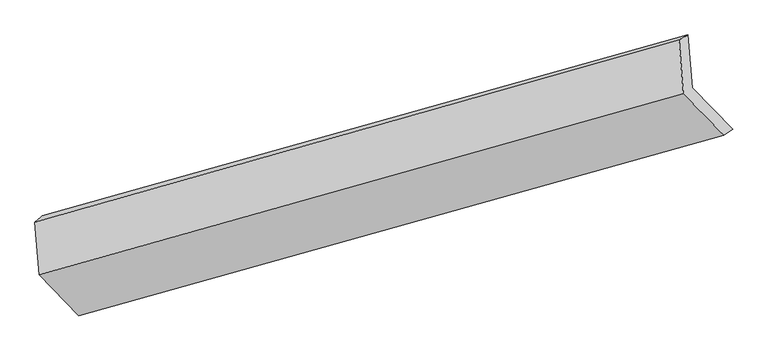
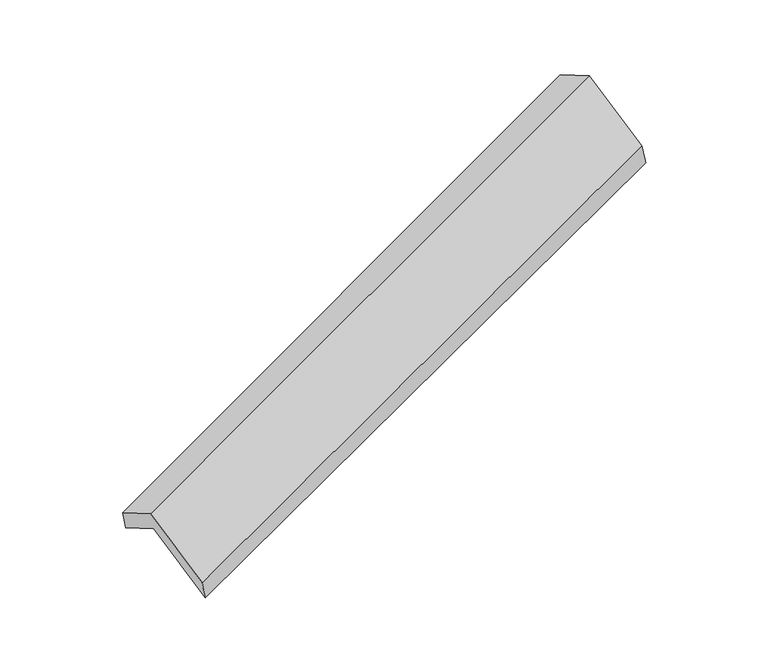
"""IFC4 building model written with IfcOpenShell, lengths in millimetres: proxy geometry."""

from ifc_helpers import new_model, si_unit, frame, origin, place, context, project, spatial, source, transform, mapped, element, save
from ifc_brep_helpers import plane_surface, spline_surface, advanced_brep


def generic_models_f219c6b7(model_context):
    return source(origin(), model_context, "Body", "AdvancedBrep", [
        advanced_brep(
        [(-5090.4832192, -2120.547482, 1296.9347532), (-5118.7861718, -1764.0495902, 1098.519104), (-766.8369118, -546.4305026, 2665.4601468), (-738.5339592, -902.9283945, 2863.875796), (-5169.8299091, -1808.5424051, 1274.8595328), (-825.9787834, -578.7682235, 2854.846628), (-5141.7026083, -2162.8278251, 1472.0437889), (-796.9837848, -943.9829775, 3058.1138118), (-4872.7897119, -2438.1055693, 939.087014), (-523.6632609, -1223.7726725, 2516.4215878), (-4821.4294062, -2395.9694783, 763.6986964), (-465.2134354, -1182.7180895, 2322.183572)],
        [
            (0, 1),
            (1, 2),
            (2, 3),
            (3, 0),
            (1, 4),
            (4, 5),
            (5, 2),
            (4, 6),
            (6, 7),
            (7, 5),
            (6, 8),
            (8, 9),
            (9, 7),
            (8, 10),
            (10, 11),
            (11, 9),
            (10, 0),
            (3, 11),
        ],
        [
            plane_surface(frame((-5104.6346955, -1942.2985361, 1197.7269286), z_axis=(0.4090740742076484, -0.41875637020165707, -0.8107413300348567), x_axis=(-0.06920459838007037, 0.8716862084414181, -0.48515345775958135))),
            spline_surface(1, 1, [[(-5118.7861718, -1764.0495902, 1098.519104), (-766.8369118, -546.4305026, 2665.4601468)], [(-5169.8299091, -1808.5424051, 1274.8595328), (-825.9787834, -578.7682235, 2854.846628)]], [2, 2], [2, 2], [0.0, 1.0], [0.0, 1.0]),
            plane_surface(frame((-5155.7662587, -1985.6851151, 1373.4516608), z_axis=(-0.4126813303682927, 0.4177429086551491, 0.8094349769028962), x_axis=(0.06920459838007, -0.871686208441418, 0.48515345775958163))),
            plane_surface(frame((-5007.2461601, -2300.4666972, 1205.5654015), z_axis=(0.06773753021364601, -0.8720955169998716, 0.48462463436074144), x_axis=(0.4090740742076575, -0.41875637020167233, -0.8107413300348442))),
            spline_surface(1, 1, [[(-4872.7897119, -2438.1055693, 939.087014), (-523.6632609, -1223.7726725, 2516.4215878)], [(-4821.4294062, -2395.9694783, 763.6986964), (-465.2134354, -1182.7180895, 2322.183572)]], [2, 2], [2, 2], [0.0, 1.0], [0.0, 1.0]),
            plane_surface(frame((-4955.9563127, -2258.2584802, 1030.3167248), z_axis=(-0.06920459838004836, 0.8716862084414196, -0.4851534577595819), x_axis=(-0.4090740742076597, 0.4187563702016617, 0.8107413300348485))),
            plane_surface(frame((-686.2016893, -896.4334767, 2713.4835904), z_axis=(0.9098731369670153, 0.2545707297168521, 0.32760436229884465), x_axis=(0.2824280484452082, 0.1983746854734945, -0.9385530787412736))),
            plane_surface(frame((-5035.8368378, -2115.0070583, 1140.8571482), z_axis=(-0.9098731369670304, -0.2545707297167395, -0.32760436229888973), x_axis=(0.409074074207644, -0.41875637020166134, -0.8107413300348565))),
        ],
        [
            (0, [[1, 2, 3, 4]]),
            (1, [[5, 6, 7, -2]]),
            (2, [[8, 9, 10, -6]]),
            (3, [[11, 12, 13, -9]]),
            (4, [[14, 15, 16, -12]]),
            (5, [[17, -4, 18, -15]]),
            (6, [[-16, -18, -3, -7, -10, -13]]),
            (7, [[-17, -14, -11, -8, -5, -1]]),
        ],
    ),
    ])


if __name__ == "__main__":
    model = new_model("IFC4")
    model_context = context("Model", 3, world=origin())
    ifc_project = project(units=[si_unit("LENGTHUNIT", "METRE", prefix="MILLI")], contexts=[model_context])
    site = spatial("IfcSite", under=ifc_project)
    building = spatial("IfcBuilding", under=site)
    placement = place(None, origin())
    generic_models_shape = generic_models_f219c6b7(model_context)
    element("IfcBuildingElementProxy", 1, Name="Generic Models", at=placement, inside=building, context=model_context, shape_type="MappedRepresentation", body=[
        mapped(generic_models_shape, transform((0.0, 0.0, 0.0), x_axis=(1.0, 0.0, 0.0), y_axis=(0.0, 1.0, 0.0), z_axis=(0.0, 0.0, 1.0))),
    ])
    save(model, "model.ifc")
